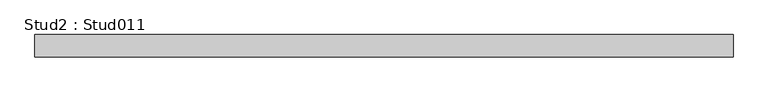
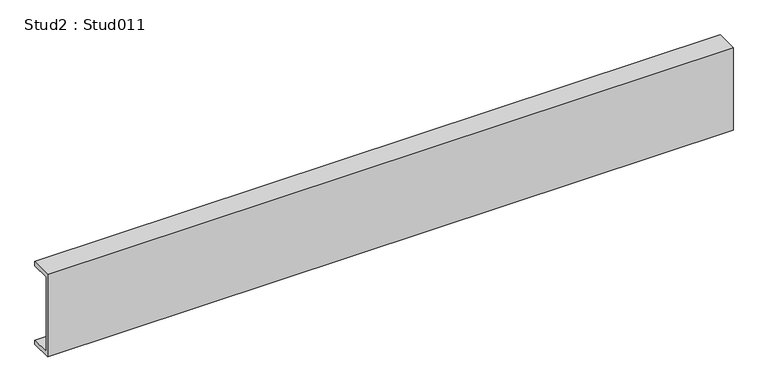
"""IFC4 building model written with IfcOpenShell, lengths in millimetres: proxy geometry, Stud2 : Stud011."""

from ifc_helpers import new_model, si_unit, frame, origin, place, context, project, spatial, polyline, outline, extrude, source, transform, mapped, element, save


def stud2_stud011_775816d7(model_context):
    return source(origin(), model_context, "Body", "SweptSolid", [
        extrude(outline(polyline([(-24991.5529946, 2606.675), (-25029.6529946, 2606.675), (-25029.6529946, 2758.6120276), (-24991.5529946, 2758.6120276), (-24991.5529946, 2750.656546), (-25025.1529946, 2750.656546), (-25025.1529946, 2614.175), (-24991.5529946, 2614.175), (-24991.5529946, 2606.675)])), frame((35815.6881373, 0.0, 0.0), z_axis=(1.0, 0.0, 0.0), x_axis=(0.0, 1.0, 0.0)), (0.0, 0.0, 1.0), 1187.440769),
    ])


if __name__ == "__main__":
    model = new_model("IFC4")
    model_context = context("Model", 3, world=origin())
    ifc_project = project(units=[si_unit("LENGTHUNIT", "METRE", prefix="MILLI")], contexts=[model_context])
    site = spatial("IfcSite", under=ifc_project)
    building = spatial("IfcBuilding", under=site)
    placement = place(None, origin())
    stud2_stud011_shape = stud2_stud011_775816d7(model_context)
    element("IfcBuildingElementProxy", 1, Name="Stud2 : Stud011", ObjectType="Stud2 : Stud011", at=placement, inside=building, context=model_context, shape_type="MappedRepresentation", body=[
        mapped(stud2_stud011_shape, transform((0.0, 0.0, 0.0), x_axis=(1.0, 0.0, 0.0), y_axis=(0.0, 1.0, 0.0), z_axis=(0.0, 0.0, 1.0))),
    ])
    save(model, "model.ifc")
